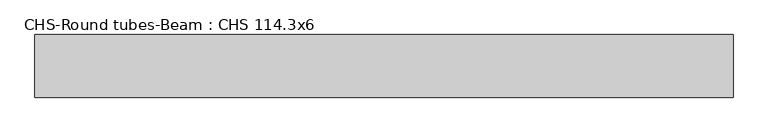
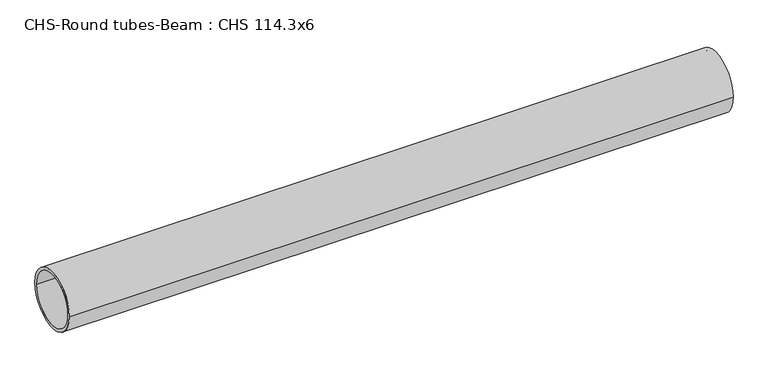
"""IFC4 building model written with IfcOpenShell, lengths in millimetres: beam geometry, CHS-Round tubes-Beam : CHS 114.3x6."""

from ifc_helpers import new_model, si_unit, point, frame, origin, origin_2d, place, context, project, spatial, circle_curve, trimmed, segment, composite_curve, outline, extrude, source, transform, mapped, element, save


def chs_round_tubes_beam_chs_114_3x6_2c45a202(model_context):
    return source(origin(), model_context, "Body", "SweptSolid", [
        extrude(outline(composite_curve([segment(trimmed(circle_curve(origin_2d(), 57.15), [point((57.15, 0.0))], [point((-57.15, 0.0))], False, "CARTESIAN"), True, "CONTINUOUS"), segment(trimmed(circle_curve(origin_2d(), 57.15), [point((-57.15, 0.0))], [point((57.15, 0.0))], False, "CARTESIAN"), True, "CONTINUOUS")], self_intersect=False), holes=[composite_curve([segment(trimmed(circle_curve(origin_2d(), 51.15), [point((51.15, 0.0))], [point((-51.15, 0.0))], True, "CARTESIAN"), True, "CONTINUOUS"), segment(trimmed(circle_curve(origin_2d(), 51.15), [point((-51.15, 0.0))], [point((51.15, 0.0))], True, "CARTESIAN"), True, "CONTINUOUS")], self_intersect=False)]), frame((-639.7095995, 0.0, 0.0), z_axis=(1.0, 0.0, 0.0), x_axis=(0.0, 1.0, 0.0)), (0.0, 0.0, 1.0), 1273.8545903),
    ])


if __name__ == "__main__":
    model = new_model("IFC4")
    model_context = context("Model", 3, world=origin())
    ifc_project = project(units=[si_unit("LENGTHUNIT", "METRE", prefix="MILLI")], contexts=[model_context])
    site = spatial("IfcSite", under=ifc_project)
    building = spatial("IfcBuilding", under=site)
    placement = place(None, origin())
    chs_round_tubes_beam_chs_114_3x6_shape = chs_round_tubes_beam_chs_114_3x6_2c45a202(model_context)
    element("IfcBeam", 1, ObjectType="CHS-Round tubes-Beam : CHS 114.3x6", at=placement, inside=building, context=model_context, shape_type="MappedRepresentation", body=[
        mapped(chs_round_tubes_beam_chs_114_3x6_shape, transform((0.0, 0.0, 0.0), x_axis=(1.0, 0.0, 0.0), y_axis=(0.0, 1.0, 0.0), z_axis=(0.0, 0.0, 1.0))),
    ])
    save(model, "model.ifc")
